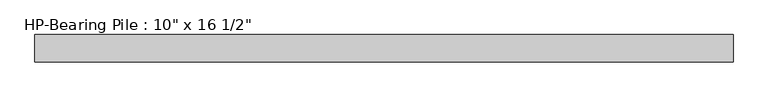
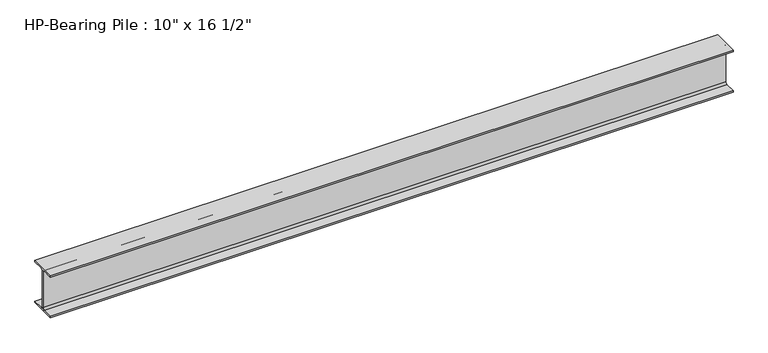
"""IFC4 building model written with IfcOpenShell, lengths in millimetres: beam geometry."""

from ifc_helpers import new_model, si_unit, point, frame, frame_2d, origin, place, context, project, spatial, polyline, circle_curve, trimmed, segment, composite_curve, outline, extrude, source, transform, mapped, element, save


def beam_9500e57d(model_context):
    return source(origin(), model_context, "Body", "SweptSolid", [
        extrude(outline(composite_curve([segment(polyline([(127.0, -196.85), (127.0, -209.55), (-127.0, -209.55), (-127.0, -196.85), (-25.4, -196.85)]), True, "CONTINUOUS"), segment(trimmed(circle_curve(frame_2d((-25.4, -177.8)), 19.05), [point((-25.4, -196.85))], [point((-6.35, -177.8))], True, "CARTESIAN"), True, "CONTINUOUS"), segment(polyline([(-6.35, -177.8), (-6.35, 177.8)]), True, "CONTINUOUS"), segment(trimmed(circle_curve(frame_2d((-25.4, 177.8)), 19.05), [point((-6.35, 177.8))], [point((-25.4, 196.85))], True, "CARTESIAN"), True, "CONTINUOUS"), segment(polyline([(-25.4, 196.85), (-127.0, 196.85), (-127.0, 209.55), (127.0, 209.55), (127.0, 196.85), (25.4, 196.85)]), True, "CONTINUOUS"), segment(trimmed(circle_curve(frame_2d((25.4, 177.8)), 19.05), [point((25.4, 196.85))], [point((6.35, 177.8))], True, "CARTESIAN"), True, "CONTINUOUS"), segment(polyline([(6.35, 177.8), (6.35, -177.8)]), True, "CONTINUOUS"), segment(trimmed(circle_curve(frame_2d((25.4, -177.8)), 19.05), [point((6.35, -177.8))], [point((25.4, -196.85))], True, "CARTESIAN"), True, "CONTINUOUS"), segment(polyline([(25.4, -196.85), (127.0, -196.85)]), True, "CONTINUOUS")], self_intersect=False)), frame((-3230.9244179, 0.0, 0.0), z_axis=(1.0, 0.0, 0.0), x_axis=(0.0, 1.0, 0.0)), (0.0, 0.0, 1.0), 6461.8488357),
    ])


if __name__ == "__main__":
    model = new_model("IFC4")
    model_context = context("Model", 3, world=origin())
    ifc_project = project(units=[si_unit("LENGTHUNIT", "METRE", prefix="MILLI")], contexts=[model_context])
    site = spatial("IfcSite", under=ifc_project)
    building = spatial("IfcBuilding", under=site)
    placement = place(None, origin())
    beam_shape = beam_9500e57d(model_context)
    element("IfcBeam", 1, ObjectType="HP-Bearing Pile : 10\" x 16 1/2\"", at=placement, inside=building, context=model_context, shape_type="MappedRepresentation", body=[
        mapped(beam_shape, transform((0.0, 0.0, 0.0), x_axis=(1.0, 0.0, 0.0), y_axis=(0.0, 1.0, 0.0), z_axis=(0.0, 0.0, 1.0))),
    ])
    save(model, "model.ifc")
